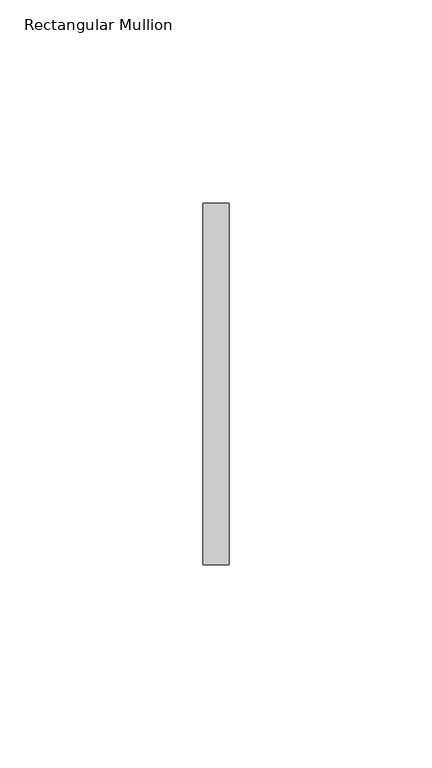
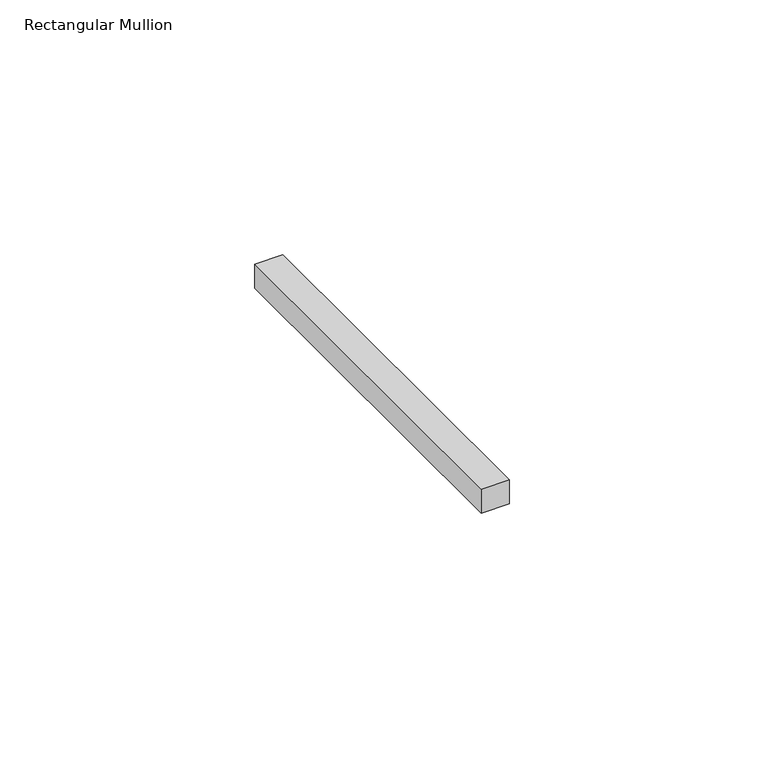
"""IFC4 building model written with IfcOpenShell, lengths in millimetres: member geometry, Rectangular Mullion."""

from ifc_helpers import new_model, si_unit, frame, origin, place, context, project, spatial, polyline, outline, extrude, source, transform, mapped, element, save


def rectangular_mullion_9af4d3f6(model_context):
    return source(origin(), model_context, "Body", "SweptSolid", [
        extrude(outline(polyline([(0.0, 44.45), (0.0, -44.45), (-6.35, -44.45), (-6.35, 44.45), (0.0, 44.45)])), frame((0.0, 0.0, -5.8054688), z_axis=(0.0, 0.0, 1.0), x_axis=(1.0, 0.0, 0.0)), (0.0, 0.0, 1.0), 5.8054688),
    ])


if __name__ == "__main__":
    model = new_model("IFC4")
    model_context = context("Model", 3, world=origin())
    ifc_project = project(units=[si_unit("LENGTHUNIT", "METRE", prefix="MILLI")], contexts=[model_context])
    site = spatial("IfcSite", under=ifc_project)
    building = spatial("IfcBuilding", under=site)
    placement = place(None, origin())
    rectangular_mullion_shape = rectangular_mullion_9af4d3f6(model_context)
    element("IfcMember", 1, ObjectType="Rectangular Mullion", at=placement, inside=building, context=model_context, shape_type="MappedRepresentation", body=[
        mapped(rectangular_mullion_shape, transform((0.0, 0.0, 0.0), x_axis=(1.0, 0.0, 0.0), y_axis=(0.0, 1.0, 0.0), z_axis=(0.0, 0.0, 1.0))),
    ])
    save(model, "model.ifc")
